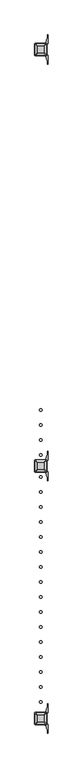
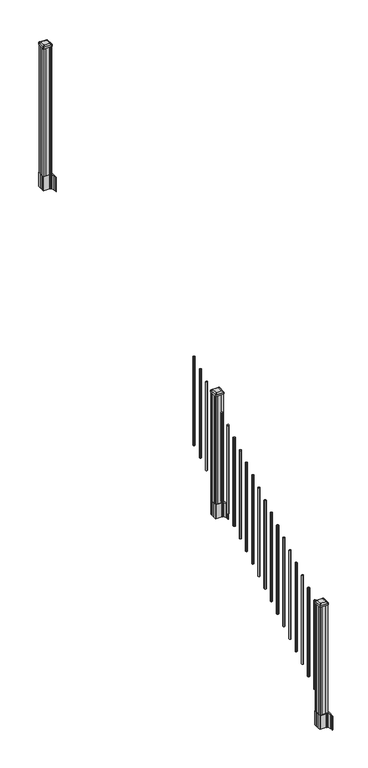
"""IFC4 building model written with IfcOpenShell, lengths in millimetres: railing geometry."""

from ifc_helpers import new_model, si_unit, point, frame, frame_2d, origin, place, context, project, spatial, polyline, circle_curve, trimmed, segment, composite_curve, outline, extrude, source, transform, mapped, element, save
from ifc_brep_helpers import plane_surface, extruded_surface, advanced_brep


def railing_f031f1d3(model_context):
    return source(origin(), model_context, "Body", "SolidModel", [
        extrude(outline(composite_curve([segment(trimmed(circle_curve(frame_2d((8853.1083284, -20054.6054681)), 9.525), [point((8843.5833284, -20054.6054681))], [point((8853.1083284, -20045.0804681))], False, "CARTESIAN"), True, "CONTINUOUS"), segment(trimmed(circle_curve(frame_2d((8853.1083284, -20054.6054681)), 9.525), [point((8853.1083284, -20045.0804681))], [point((8862.6333284, -20054.6054681))], False, "CARTESIAN"), True, "CONTINUOUS"), segment(trimmed(circle_curve(frame_2d((8853.1083284, -20054.6054681)), 9.525), [point((8862.6333284, -20054.6054681))], [point((8853.1083284, -20064.1304681))], False, "CARTESIAN"), True, "CONTINUOUS"), segment(trimmed(circle_curve(frame_2d((8853.1083284, -20054.6054681)), 9.525), [point((8853.1083284, -20064.1304681))], [point((8843.5833284, -20054.6054681))], False, "CARTESIAN"), True, "CONTINUOUS")], self_intersect=False)), frame((0.0, 0.0, 1695.6046281), z_axis=(0.0, 0.0, 1.0), x_axis=(1.0, 0.0, 0.0)), (0.0, 0.0, 1.0), 965.2041219),
        extrude(outline(composite_curve([segment(trimmed(circle_curve(frame_2d((8853.1083284, -20165.8574681)), 9.525), [point((8843.5833284, -20165.8574681))], [point((8853.1083284, -20156.3324681))], False, "CARTESIAN"), True, "CONTINUOUS"), segment(trimmed(circle_curve(frame_2d((8853.1083284, -20165.8574681)), 9.525), [point((8853.1083284, -20156.3324681))], [point((8862.6333284, -20165.8574681))], False, "CARTESIAN"), True, "CONTINUOUS"), segment(trimmed(circle_curve(frame_2d((8853.1083284, -20165.8574681)), 9.525), [point((8862.6333284, -20165.8574681))], [point((8853.1083284, -20175.3824681))], False, "CARTESIAN"), True, "CONTINUOUS"), segment(trimmed(circle_curve(frame_2d((8853.1083284, -20165.8574681)), 9.525), [point((8853.1083284, -20175.3824681))], [point((8843.5833284, -20165.8574681))], False, "CARTESIAN"), True, "CONTINUOUS")], self_intersect=False)), frame((0.0, 0.0, 1626.0721281), z_axis=(0.0, 0.0, 1.0), x_axis=(1.0, 0.0, 0.0)), (0.0, 0.0, 1.0), 965.2041219),
        extrude(outline(composite_curve([segment(trimmed(circle_curve(frame_2d((8853.1083284, -20277.1094681)), 9.525), [point((8843.5833284, -20277.1094681))], [point((8853.1083284, -20267.5844681))], False, "CARTESIAN"), True, "CONTINUOUS"), segment(trimmed(circle_curve(frame_2d((8853.1083284, -20277.1094681)), 9.525), [point((8853.1083284, -20267.5844681))], [point((8862.6333284, -20277.1094681))], False, "CARTESIAN"), True, "CONTINUOUS"), segment(trimmed(circle_curve(frame_2d((8853.1083284, -20277.1094681)), 9.525), [point((8862.6333284, -20277.1094681))], [point((8853.1083284, -20286.6344681))], False, "CARTESIAN"), True, "CONTINUOUS"), segment(trimmed(circle_curve(frame_2d((8853.1083284, -20277.1094681)), 9.525), [point((8853.1083284, -20286.6344681))], [point((8843.5833284, -20277.1094681))], False, "CARTESIAN"), True, "CONTINUOUS")], self_intersect=False)), frame((0.0, 0.0, 1556.5396281), z_axis=(0.0, 0.0, 1.0), x_axis=(1.0, 0.0, 0.0)), (0.0, 0.0, 1.0), 965.2041219),
        extrude(outline(composite_curve([segment(trimmed(circle_curve(frame_2d((8853.1083284, -20388.3614681)), 9.525), [point((8843.5833284, -20388.3614681))], [point((8853.1083284, -20378.8364681))], False, "CARTESIAN"), True, "CONTINUOUS"), segment(trimmed(circle_curve(frame_2d((8853.1083284, -20388.3614681)), 9.525), [point((8853.1083284, -20378.8364681))], [point((8862.6333284, -20388.3614681))], False, "CARTESIAN"), True, "CONTINUOUS"), segment(trimmed(circle_curve(frame_2d((8853.1083284, -20388.3614681)), 9.525), [point((8862.6333284, -20388.3614681))], [point((8853.1083284, -20397.8864681))], False, "CARTESIAN"), True, "CONTINUOUS"), segment(trimmed(circle_curve(frame_2d((8853.1083284, -20388.3614681)), 9.525), [point((8853.1083284, -20397.8864681))], [point((8843.5833284, -20388.3614681))], False, "CARTESIAN"), True, "CONTINUOUS")], self_intersect=False)), frame((0.0, 0.0, 1487.0071281), z_axis=(0.0, 0.0, 1.0), x_axis=(1.0, 0.0, 0.0)), (0.0, 0.0, 1.0), 965.2041219),
        extrude(outline(composite_curve([segment(polyline([(8810.3728284, -20486.773563), (8810.3728284, -20452.0013732), (8808.7853284, -20451.2393732), (8808.7853284, -20428.4374452), (8812.1583054, -20425.0644681), (8873.6179763, -20425.0644681), (8873.6179763, -20424.1437181), (8878.9355201, -20424.1437181), (8878.9355201, -20422.6894634), (8884.0200498, -20422.6894634), (8884.0200498, -20421.4054396), (8885.6873221, -20421.4054396)]), True, "CONTINUOUS"), segment(trimmed(circle_curve(frame_2d((8885.6873221, -20414.3459797)), 7.0594599), [point((8885.6873221, -20421.4054396))], [point((8892.4545849, -20416.3559864))], True, "CARTESIAN"), True, "CONTINUOUS"), segment(polyline([(8892.4545849, -20416.3559864), (8900.3287792, -20389.8452573)]), True, "CONTINUOUS"), segment(trimmed(circle_curve(frame_2d((8845.5442659, -20373.5732076)), 57.15), [point((8900.3287792, -20389.8452573))], [point((8902.6942659, -20373.5732076))], True, "CARTESIAN"), True, "CONTINUOUS"), segment(polyline([(8902.6942659, -20373.5732076), (8902.6942659, -20361.5644681), (8905.6942659, -20361.5644681), (8905.6942659, -20426.6519681), (8897.4313284, -20437.9902594), (8897.4313284, -20451.2393732), (8895.8438284, -20452.0013732), (8895.8438284, -20486.773563), (8897.4313284, -20487.535563), (8897.4313284, -20500.7846768), (8905.6942659, -20512.1229681), (8905.6942659, -20577.2104681), (8902.6942659, -20577.2104681), (8902.6942659, -20565.2017285)]), True, "CONTINUOUS"), segment(trimmed(circle_curve(frame_2d((8845.5442659, -20565.2017285)), 57.15), [point((8902.6942659, -20565.2017285))], [point((8900.3287792, -20548.9296789))], True, "CARTESIAN"), True, "CONTINUOUS"), segment(polyline([(8900.3287792, -20548.9296789), (8892.4545849, -20522.4189498)]), True, "CONTINUOUS"), segment(trimmed(circle_curve(frame_2d((8885.6873221, -20524.4289565)), 7.0594599), [point((8892.4545849, -20522.4189498))], [point((8885.6873221, -20517.3694966))], True, "CARTESIAN"), True, "CONTINUOUS"), segment(polyline([(8885.6873221, -20517.3694966), (8884.0200498, -20517.3694966), (8884.0200498, -20516.0854728), (8878.9355201, -20516.0854728), (8878.9355201, -20514.6312181), (8873.6179763, -20514.6312181), (8873.6179763, -20513.7104681), (8812.1583054, -20513.7104681), (8808.7853284, -20510.337491), (8808.7853284, -20487.535563), (8810.3728284, -20486.773563)]), True, "CONTINUOUS")], self_intersect=False), holes=[polyline([(8894.3833284, -20429.6999681), (8892.7958284, -20428.1124681), (8855.8715458, -20428.1124681), (8813.4208284, -20428.1124681), (8811.8333284, -20429.6999681), (8811.8333284, -20509.0749681), (8813.4208284, -20510.6624681), (8855.8715458, -20510.6624681), (8892.7958284, -20510.6624681), (8894.3833284, -20509.0749681), (8894.3833284, -20429.6999681)])]), frame((0.0, 0.0, 1182.37), z_axis=(0.0, 0.0, 1.0), x_axis=(1.0, 0.0, 0.0)), (0.0, 0.0, 1.0), 152.4),
        advanced_brep(
        [(8878.9052034, -20498.3593431, 2547.109263), (8882.0802034, -20495.1843431, 2547.109263), (8882.0802034, -20443.5905931, 2547.109263), (8878.9052034, -20440.4155931, 2547.109263), (8827.3114534, -20440.4155931, 2547.109263), (8824.1364534, -20443.5905931, 2547.109263), (8824.1364534, -20495.1843431, 2547.109263), (8827.3114534, -20498.3593431, 2547.109263), (8895.1770784, -20514.6312181, 2535.806263), (8811.0395784, -20514.6312181, 2535.806263), (8807.8645784, -20511.4562181, 2535.806263), (8807.8645784, -20427.3187181, 2535.806263), (8811.0395784, -20424.1437181, 2535.806263), (8895.1770784, -20424.1437181, 2535.806263), (8898.3520784, -20427.3187181, 2535.806263), (8898.3520784, -20511.4562181, 2535.806263)],
        [
            (0, 1, circle_curve(frame((8878.9052034, -20495.1843431, 2547.109263), z_axis=(0.0, 0.0, 1.0), x_axis=(0.0, 1.0, 0.0)), 3.175)),
            (1, 2),
            (2, 3, circle_curve(frame((8878.9052034, -20443.5905931, 2547.109263), z_axis=(0.0, 0.0, 1.0), x_axis=(0.0, 1.0, 0.0)), 3.175)),
            (3, 4),
            (4, 5, circle_curve(frame((8827.3114534, -20443.5905931, 2547.109263), z_axis=(0.0, 0.0, 1.0), x_axis=(0.0, 1.0, 0.0)), 3.175)),
            (5, 6),
            (6, 7, circle_curve(frame((8827.3114534, -20495.1843431, 2547.109263), z_axis=(0.0, 0.0, 1.0), x_axis=(0.0, 1.0, 0.0)), 3.175)),
            (7, 0),
            (8, 9),
            (9, 10, circle_curve(frame((8811.0395784, -20511.4562181, 2535.806263), z_axis=(0.0, 0.0, -1.0), x_axis=(0.0, 1.0, 0.0)), 3.175)),
            (10, 11),
            (11, 12, circle_curve(frame((8811.0395784, -20427.3187181, 2535.806263), z_axis=(0.0, 0.0, -1.0), x_axis=(0.0, 1.0, 0.0)), 3.175)),
            (12, 13),
            (13, 14, circle_curve(frame((8895.1770784, -20427.3187181, 2535.806263), z_axis=(0.0, 0.0, -1.0), x_axis=(0.0, 1.0, 0.0)), 3.175)),
            (14, 15),
            (15, 8, circle_curve(frame((8895.1770784, -20511.4562181, 2535.806263), z_axis=(0.0, 0.0, -1.0), x_axis=(0.0, 1.0, 0.0)), 3.175)),
            (15, 1),
            (0, 8),
            (14, 2),
            (13, 3),
            (12, 4),
            (11, 5),
            (10, 6),
            (9, 7),
        ],
        [
            plane_surface(frame((8853.1083284, -20469.3874681, 2547.109263), z_axis=(0.0, 0.0, 1.0), x_axis=(1.0, 0.0, 0.0))),
            plane_surface(frame((8853.1083284, -20469.3874681, 2535.806263), z_axis=(0.0, 0.0, -1.0), x_axis=(1.0, 0.0, 0.0))),
            extruded_surface(trimmed(circle_curve(frame((8895.1770784, -20511.4562181, 2535.806263), z_axis=(0.0, 0.0, 1.0), x_axis=(0.0, 1.0, 0.0)), 3.175), [point((8895.1770784, -20514.6312181, 2535.806263))], [point((8898.3520784, -20511.4562181, 2535.806263))], True, "CARTESIAN"), (-16.271875000000364, 16.271874999998545, 11.302999999999884), 25.63797263886542),
            plane_surface(frame((8898.3520784, -20469.3874681, 2535.806263), z_axis=(0.5705009161540778, 0.0, 0.8212969649690408), x_axis=(0.0, 1.0, 0.0))),
            extruded_surface(trimmed(circle_curve(frame((8895.1770784, -20427.3187181, 2535.806263), z_axis=(0.0, 0.0, 1.0), x_axis=(0.0, 1.0, 0.0)), 3.175), [point((8898.3520784, -20427.3187181, 2535.806263))], [point((8895.1770784, -20424.1437181, 2535.806263))], True, "CARTESIAN"), (-16.271875000000364, -16.271875000002183, 11.302999999999884), 25.637972638867726),
            plane_surface(frame((8853.1083284, -20424.1437181, 2535.806263), z_axis=(0.0, 0.5705009161540291, 0.8212969649690747), x_axis=(-1.0, 0.0, 0.0))),
            extruded_surface(trimmed(circle_curve(frame((8811.0395784, -20427.3187181, 2535.806263), z_axis=(0.0, 0.0, 1.0), x_axis=(0.0, 1.0, 0.0)), 3.175), [point((8811.0395784, -20424.1437181, 2535.806263))], [point((8807.8645784, -20427.3187181, 2535.806263))], True, "CARTESIAN"), (16.271875000000364, -16.271875000002183, 11.302999999999884), 25.637972638867726),
            plane_surface(frame((8807.8645784, -20469.3874681, 2535.806263), z_axis=(-0.5705009161540142, 0.0, 0.8212969649690851), x_axis=(0.0, -1.0, 0.0))),
            extruded_surface(trimmed(circle_curve(frame((8811.0395784, -20511.4562181, 2535.806263), z_axis=(0.0, 0.0, 1.0), x_axis=(0.0, 1.0, 0.0)), 3.175), [point((8807.8645784, -20511.4562181, 2535.806263))], [point((8811.0395784, -20514.6312181, 2535.806263))], True, "CARTESIAN"), (16.271875000000364, 16.271874999998545, 11.302999999999884), 25.63797263886542),
            plane_surface(frame((8853.1083284, -20514.6312181, 2535.806263), z_axis=(0.0, -0.570500916154034, 0.8212969649690713), x_axis=(1.0, 0.0, 0.0))),
        ],
        [
            (0, [[1, 2, 3, 4, 5, 6, 7, 8]]),
            (1, [[9, 10, 11, 12, 13, 14, 15, 16]]),
            (2, [[-16, 17, -1, 18]]),
            (3, [[-15, 19, -2, -17]]),
            (4, [[-14, 20, -3, -19]]),
            (5, [[-13, 21, -4, -20]]),
            (6, [[-12, 22, -5, -21]]),
            (7, [[-11, 23, -6, -22]]),
            (8, [[-10, 24, -7, -23]]),
            (9, [[-9, -18, -8, -24]]),
        ],
    ),
        extrude(outline(composite_curve([segment(polyline([(8895.1770784, -20514.6312181), (8811.0395784, -20514.6312181)]), True, "CONTINUOUS"), segment(trimmed(circle_curve(frame_2d((8811.0395784, -20511.4562181)), 3.175), [point((8811.0395784, -20514.6312181))], [point((8807.8645784, -20511.4562181))], False, "CARTESIAN"), True, "CONTINUOUS"), segment(polyline([(8807.8645784, -20511.4562181), (8807.8645784, -20427.3187181)]), True, "CONTINUOUS"), segment(trimmed(circle_curve(frame_2d((8811.0395784, -20427.3187181)), 3.175), [point((8807.8645784, -20427.3187181))], [point((8811.0395784, -20424.1437181))], False, "CARTESIAN"), True, "CONTINUOUS"), segment(polyline([(8811.0395784, -20424.1437181), (8895.1770784, -20424.1437181)]), True, "CONTINUOUS"), segment(trimmed(circle_curve(frame_2d((8895.1770784, -20427.3187181)), 3.175), [point((8895.1770784, -20424.1437181))], [point((8898.3520784, -20427.3187181))], False, "CARTESIAN"), True, "CONTINUOUS"), segment(polyline([(8898.3520784, -20427.3187181), (8898.3520784, -20511.4562181)]), True, "CONTINUOUS"), segment(trimmed(circle_curve(frame_2d((8895.1770784, -20511.4562181)), 3.175), [point((8898.3520784, -20511.4562181))], [point((8895.1770784, -20514.6312181))], False, "CARTESIAN"), True, "CONTINUOUS")], self_intersect=False)), frame((0.0, 0.0, 2518.534263), z_axis=(0.0, 0.0, 1.0), x_axis=(1.0, 0.0, 0.0)), (0.0, 0.0, 1.0), 17.272),
        extrude(outline(polyline([(8892.7958284, -20510.6624681), (8873.1743284, -20510.6624681), (8872.4123284, -20509.0749681), (8833.8043284, -20509.0749681), (8833.0423284, -20510.6624681), (8813.4208284, -20510.6624681), (8811.8333284, -20509.0749681), (8811.8333284, -20489.4534681), (8813.4208284, -20488.6914681), (8813.4208284, -20450.0834681), (8811.8333284, -20449.3214681), (8811.8333284, -20429.6999681), (8813.4208284, -20428.1124681), (8833.0423284, -20428.1124681), (8833.8043284, -20429.6999681), (8872.4123284, -20429.6999681), (8873.1743284, -20428.1124681), (8892.7958284, -20428.1124681), (8894.3833284, -20429.6999681), (8894.3833284, -20449.3214681), (8892.7958284, -20450.0834681), (8892.7958284, -20488.6914681), (8894.3833284, -20489.4534681), (8894.3833284, -20509.0749681), (8892.7958284, -20510.6624681)])), frame((0.0, 0.0, 1334.77), z_axis=(0.0, 0.0, 1.0), x_axis=(1.0, 0.0, 0.0)), (0.0, 0.0, 1.0), 1183.764263),
        extrude(outline(composite_curve([segment(trimmed(circle_curve(frame_2d((8853.1083284, -20550.4134681)), 9.525), [point((8843.5833284, -20550.4134681))], [point((8853.1083284, -20540.8884681))], False, "CARTESIAN"), True, "CONTINUOUS"), segment(trimmed(circle_curve(frame_2d((8853.1083284, -20550.4134681)), 9.525), [point((8853.1083284, -20540.8884681))], [point((8862.6333284, -20550.4134681))], False, "CARTESIAN"), True, "CONTINUOUS"), segment(trimmed(circle_curve(frame_2d((8853.1083284, -20550.4134681)), 9.525), [point((8862.6333284, -20550.4134681))], [point((8853.1083284, -20559.9384681))], False, "CARTESIAN"), True, "CONTINUOUS"), segment(trimmed(circle_curve(frame_2d((8853.1083284, -20550.4134681)), 9.525), [point((8853.1083284, -20559.9384681))], [point((8843.5833284, -20550.4134681))], False, "CARTESIAN"), True, "CONTINUOUS")], self_intersect=False)), frame((0.0, 0.0, 1385.7246281), z_axis=(0.0, 0.0, 1.0), x_axis=(1.0, 0.0, 0.0)), (0.0, 0.0, 1.0), 965.2041219),
        extrude(outline(composite_curve([segment(trimmed(circle_curve(frame_2d((8853.1083284, -20661.6654681)), 9.525), [point((8843.5833284, -20661.6654681))], [point((8853.1083284, -20652.1404681))], False, "CARTESIAN"), True, "CONTINUOUS"), segment(trimmed(circle_curve(frame_2d((8853.1083284, -20661.6654681)), 9.525), [point((8853.1083284, -20652.1404681))], [point((8862.6333284, -20661.6654681))], False, "CARTESIAN"), True, "CONTINUOUS"), segment(trimmed(circle_curve(frame_2d((8853.1083284, -20661.6654681)), 9.525), [point((8862.6333284, -20661.6654681))], [point((8853.1083284, -20671.1904681))], False, "CARTESIAN"), True, "CONTINUOUS"), segment(trimmed(circle_curve(frame_2d((8853.1083284, -20661.6654681)), 9.525), [point((8853.1083284, -20671.1904681))], [point((8843.5833284, -20661.6654681))], False, "CARTESIAN"), True, "CONTINUOUS")], self_intersect=False)), frame((0.0, 0.0, 1316.1921281), z_axis=(0.0, 0.0, 1.0), x_axis=(1.0, 0.0, 0.0)), (0.0, 0.0, 1.0), 965.2041219),
        extrude(outline(composite_curve([segment(trimmed(circle_curve(frame_2d((8853.1083284, -20772.9174681)), 9.525), [point((8843.5833284, -20772.9174681))], [point((8853.1083284, -20763.3924681))], False, "CARTESIAN"), True, "CONTINUOUS"), segment(trimmed(circle_curve(frame_2d((8853.1083284, -20772.9174681)), 9.525), [point((8853.1083284, -20763.3924681))], [point((8862.6333284, -20772.9174681))], False, "CARTESIAN"), True, "CONTINUOUS"), segment(trimmed(circle_curve(frame_2d((8853.1083284, -20772.9174681)), 9.525), [point((8862.6333284, -20772.9174681))], [point((8853.1083284, -20782.4424681))], False, "CARTESIAN"), True, "CONTINUOUS"), segment(trimmed(circle_curve(frame_2d((8853.1083284, -20772.9174681)), 9.525), [point((8853.1083284, -20782.4424681))], [point((8843.5833284, -20772.9174681))], False, "CARTESIAN"), True, "CONTINUOUS")], self_intersect=False)), frame((0.0, 0.0, 1246.6596281), z_axis=(0.0, 0.0, 1.0), x_axis=(1.0, 0.0, 0.0)), (0.0, 0.0, 1.0), 965.2041219),
        extrude(outline(composite_curve([segment(trimmed(circle_curve(frame_2d((8853.1083284, -20884.1694681)), 9.525), [point((8843.5833284, -20884.1694681))], [point((8853.1083284, -20874.6444681))], False, "CARTESIAN"), True, "CONTINUOUS"), segment(trimmed(circle_curve(frame_2d((8853.1083284, -20884.1694681)), 9.525), [point((8853.1083284, -20874.6444681))], [point((8862.6333284, -20884.1694681))], False, "CARTESIAN"), True, "CONTINUOUS"), segment(trimmed(circle_curve(frame_2d((8853.1083284, -20884.1694681)), 9.525), [point((8862.6333284, -20884.1694681))], [point((8853.1083284, -20893.6944681))], False, "CARTESIAN"), True, "CONTINUOUS"), segment(trimmed(circle_curve(frame_2d((8853.1083284, -20884.1694681)), 9.525), [point((8853.1083284, -20893.6944681))], [point((8843.5833284, -20884.1694681))], False, "CARTESIAN"), True, "CONTINUOUS")], self_intersect=False)), frame((0.0, 0.0, 1177.1271281), z_axis=(0.0, 0.0, 1.0), x_axis=(1.0, 0.0, 0.0)), (0.0, 0.0, 1.0), 965.2041219),
        extrude(outline(composite_curve([segment(trimmed(circle_curve(frame_2d((8853.1083284, -20995.4214681)), 9.525), [point((8843.5833284, -20995.4214681))], [point((8853.1083284, -20985.8964681))], False, "CARTESIAN"), True, "CONTINUOUS"), segment(trimmed(circle_curve(frame_2d((8853.1083284, -20995.4214681)), 9.525), [point((8853.1083284, -20985.8964681))], [point((8862.6333284, -20995.4214681))], False, "CARTESIAN"), True, "CONTINUOUS"), segment(trimmed(circle_curve(frame_2d((8853.1083284, -20995.4214681)), 9.525), [point((8862.6333284, -20995.4214681))], [point((8853.1083284, -21004.9464681))], False, "CARTESIAN"), True, "CONTINUOUS"), segment(trimmed(circle_curve(frame_2d((8853.1083284, -20995.4214681)), 9.525), [point((8853.1083284, -21004.9464681))], [point((8843.5833284, -20995.4214681))], False, "CARTESIAN"), True, "CONTINUOUS")], self_intersect=False)), frame((0.0, 0.0, 1107.5946281), z_axis=(0.0, 0.0, 1.0), x_axis=(1.0, 0.0, 0.0)), (0.0, 0.0, 1.0), 965.2041219),
        extrude(outline(composite_curve([segment(trimmed(circle_curve(frame_2d((8853.1083284, -21106.6734681)), 9.525), [point((8843.5833284, -21106.6734681))], [point((8853.1083284, -21097.1484681))], False, "CARTESIAN"), True, "CONTINUOUS"), segment(trimmed(circle_curve(frame_2d((8853.1083284, -21106.6734681)), 9.525), [point((8853.1083284, -21097.1484681))], [point((8862.6333284, -21106.6734681))], False, "CARTESIAN"), True, "CONTINUOUS"), segment(trimmed(circle_curve(frame_2d((8853.1083284, -21106.6734681)), 9.525), [point((8862.6333284, -21106.6734681))], [point((8853.1083284, -21116.1984681))], False, "CARTESIAN"), True, "CONTINUOUS"), segment(trimmed(circle_curve(frame_2d((8853.1083284, -21106.6734681)), 9.525), [point((8853.1083284, -21116.1984681))], [point((8843.5833284, -21106.6734681))], False, "CARTESIAN"), True, "CONTINUOUS")], self_intersect=False)), frame((0.0, 0.0, 1038.0621281), z_axis=(0.0, 0.0, 1.0), x_axis=(1.0, 0.0, 0.0)), (0.0, 0.0, 1.0), 965.2041219),
        extrude(outline(composite_curve([segment(trimmed(circle_curve(frame_2d((8853.1083284, -21217.9254681)), 9.525), [point((8843.5833284, -21217.9254681))], [point((8853.1083284, -21208.4004681))], False, "CARTESIAN"), True, "CONTINUOUS"), segment(trimmed(circle_curve(frame_2d((8853.1083284, -21217.9254681)), 9.525), [point((8853.1083284, -21208.4004681))], [point((8862.6333284, -21217.9254681))], False, "CARTESIAN"), True, "CONTINUOUS"), segment(trimmed(circle_curve(frame_2d((8853.1083284, -21217.9254681)), 9.525), [point((8862.6333284, -21217.9254681))], [point((8853.1083284, -21227.4504681))], False, "CARTESIAN"), True, "CONTINUOUS"), segment(trimmed(circle_curve(frame_2d((8853.1083284, -21217.9254681)), 9.525), [point((8853.1083284, -21227.4504681))], [point((8843.5833284, -21217.9254681))], False, "CARTESIAN"), True, "CONTINUOUS")], self_intersect=False)), frame((0.0, 0.0, 968.5296281), z_axis=(0.0, 0.0, 1.0), x_axis=(1.0, 0.0, 0.0)), (0.0, 0.0, 1.0), 965.2041219),
        extrude(outline(composite_curve([segment(trimmed(circle_curve(frame_2d((8853.1083284, -21329.1774681)), 9.525), [point((8843.5833284, -21329.1774681))], [point((8853.1083284, -21319.6524681))], False, "CARTESIAN"), True, "CONTINUOUS"), segment(trimmed(circle_curve(frame_2d((8853.1083284, -21329.1774681)), 9.525), [point((8853.1083284, -21319.6524681))], [point((8862.6333284, -21329.1774681))], False, "CARTESIAN"), True, "CONTINUOUS"), segment(trimmed(circle_curve(frame_2d((8853.1083284, -21329.1774681)), 9.525), [point((8862.6333284, -21329.1774681))], [point((8853.1083284, -21338.7024681))], False, "CARTESIAN"), True, "CONTINUOUS"), segment(trimmed(circle_curve(frame_2d((8853.1083284, -21329.1774681)), 9.525), [point((8853.1083284, -21338.7024681))], [point((8843.5833284, -21329.1774681))], False, "CARTESIAN"), True, "CONTINUOUS")], self_intersect=False)), frame((0.0, 0.0, 898.9971281), z_axis=(0.0, 0.0, 1.0), x_axis=(1.0, 0.0, 0.0)), (0.0, 0.0, 1.0), 965.2041219),
        extrude(outline(composite_curve([segment(trimmed(circle_curve(frame_2d((8853.1083284, -21440.4294681)), 9.525), [point((8843.5833284, -21440.4294681))], [point((8853.1083284, -21430.9044681))], False, "CARTESIAN"), True, "CONTINUOUS"), segment(trimmed(circle_curve(frame_2d((8853.1083284, -21440.4294681)), 9.525), [point((8853.1083284, -21430.9044681))], [point((8862.6333284, -21440.4294681))], False, "CARTESIAN"), True, "CONTINUOUS"), segment(trimmed(circle_curve(frame_2d((8853.1083284, -21440.4294681)), 9.525), [point((8862.6333284, -21440.4294681))], [point((8853.1083284, -21449.9544681))], False, "CARTESIAN"), True, "CONTINUOUS"), segment(trimmed(circle_curve(frame_2d((8853.1083284, -21440.4294681)), 9.525), [point((8853.1083284, -21449.9544681))], [point((8843.5833284, -21440.4294681))], False, "CARTESIAN"), True, "CONTINUOUS")], self_intersect=False)), frame((0.0, 0.0, 829.4646281), z_axis=(0.0, 0.0, 1.0), x_axis=(1.0, 0.0, 0.0)), (0.0, 0.0, 1.0), 965.2041219),
        extrude(outline(composite_curve([segment(trimmed(circle_curve(frame_2d((8853.1083284, -21551.6814681)), 9.525), [point((8843.5833284, -21551.6814681))], [point((8853.1083284, -21542.1564681))], False, "CARTESIAN"), True, "CONTINUOUS"), segment(trimmed(circle_curve(frame_2d((8853.1083284, -21551.6814681)), 9.525), [point((8853.1083284, -21542.1564681))], [point((8862.6333284, -21551.6814681))], False, "CARTESIAN"), True, "CONTINUOUS"), segment(trimmed(circle_curve(frame_2d((8853.1083284, -21551.6814681)), 9.525), [point((8862.6333284, -21551.6814681))], [point((8853.1083284, -21561.2064681))], False, "CARTESIAN"), True, "CONTINUOUS"), segment(trimmed(circle_curve(frame_2d((8853.1083284, -21551.6814681)), 9.525), [point((8853.1083284, -21561.2064681))], [point((8843.5833284, -21551.6814681))], False, "CARTESIAN"), True, "CONTINUOUS")], self_intersect=False)), frame((0.0, 0.0, 759.9321281), z_axis=(0.0, 0.0, 1.0), x_axis=(1.0, 0.0, 0.0)), (0.0, 0.0, 1.0), 965.2041219),
        extrude(outline(composite_curve([segment(trimmed(circle_curve(frame_2d((8853.1083284, -21662.9334681)), 9.525), [point((8843.5833284, -21662.9334681))], [point((8853.1083284, -21653.4084681))], False, "CARTESIAN"), True, "CONTINUOUS"), segment(trimmed(circle_curve(frame_2d((8853.1083284, -21662.9334681)), 9.525), [point((8853.1083284, -21653.4084681))], [point((8862.6333284, -21662.9334681))], False, "CARTESIAN"), True, "CONTINUOUS"), segment(trimmed(circle_curve(frame_2d((8853.1083284, -21662.9334681)), 9.525), [point((8862.6333284, -21662.9334681))], [point((8853.1083284, -21672.4584681))], False, "CARTESIAN"), True, "CONTINUOUS"), segment(trimmed(circle_curve(frame_2d((8853.1083284, -21662.9334681)), 9.525), [point((8853.1083284, -21672.4584681))], [point((8843.5833284, -21662.9334681))], False, "CARTESIAN"), True, "CONTINUOUS")], self_intersect=False)), frame((0.0, 0.0, 690.3996281), z_axis=(0.0, 0.0, 1.0), x_axis=(1.0, 0.0, 0.0)), (0.0, 0.0, 1.0), 965.2041219),
        extrude(outline(composite_curve([segment(trimmed(circle_curve(frame_2d((8853.1083284, -21774.1854681)), 9.525), [point((8843.5833284, -21774.1854681))], [point((8853.1083284, -21764.6604681))], False, "CARTESIAN"), True, "CONTINUOUS"), segment(trimmed(circle_curve(frame_2d((8853.1083284, -21774.1854681)), 9.525), [point((8853.1083284, -21764.6604681))], [point((8862.6333284, -21774.1854681))], False, "CARTESIAN"), True, "CONTINUOUS"), segment(trimmed(circle_curve(frame_2d((8853.1083284, -21774.1854681)), 9.525), [point((8862.6333284, -21774.1854681))], [point((8853.1083284, -21783.7104681))], False, "CARTESIAN"), True, "CONTINUOUS"), segment(trimmed(circle_curve(frame_2d((8853.1083284, -21774.1854681)), 9.525), [point((8853.1083284, -21783.7104681))], [point((8843.5833284, -21774.1854681))], False, "CARTESIAN"), True, "CONTINUOUS")], self_intersect=False)), frame((0.0, 0.0, 620.8671281), z_axis=(0.0, 0.0, 1.0), x_axis=(1.0, 0.0, 0.0)), (0.0, 0.0, 1.0), 965.2041219),
        extrude(outline(composite_curve([segment(trimmed(circle_curve(frame_2d((8853.1083284, -21885.4374681)), 9.525), [point((8843.5833284, -21885.4374681))], [point((8853.1083284, -21875.9124681))], False, "CARTESIAN"), True, "CONTINUOUS"), segment(trimmed(circle_curve(frame_2d((8853.1083284, -21885.4374681)), 9.525), [point((8853.1083284, -21875.9124681))], [point((8862.6333284, -21885.4374681))], False, "CARTESIAN"), True, "CONTINUOUS"), segment(trimmed(circle_curve(frame_2d((8853.1083284, -21885.4374681)), 9.525), [point((8862.6333284, -21885.4374681))], [point((8853.1083284, -21894.9624681))], False, "CARTESIAN"), True, "CONTINUOUS"), segment(trimmed(circle_curve(frame_2d((8853.1083284, -21885.4374681)), 9.525), [point((8853.1083284, -21894.9624681))], [point((8843.5833284, -21885.4374681))], False, "CARTESIAN"), True, "CONTINUOUS")], self_intersect=False)), frame((0.0, 0.0, 551.3346281), z_axis=(0.0, 0.0, 1.0), x_axis=(1.0, 0.0, 0.0)), (0.0, 0.0, 1.0), 965.2041219),
        extrude(outline(composite_curve([segment(trimmed(circle_curve(frame_2d((8853.1083284, -21996.6894681)), 9.525), [point((8843.5833284, -21996.6894681))], [point((8853.1083284, -21987.1644681))], False, "CARTESIAN"), True, "CONTINUOUS"), segment(trimmed(circle_curve(frame_2d((8853.1083284, -21996.6894681)), 9.525), [point((8853.1083284, -21987.1644681))], [point((8862.6333284, -21996.6894681))], False, "CARTESIAN"), True, "CONTINUOUS"), segment(trimmed(circle_curve(frame_2d((8853.1083284, -21996.6894681)), 9.525), [point((8862.6333284, -21996.6894681))], [point((8853.1083284, -22006.2144681))], False, "CARTESIAN"), True, "CONTINUOUS"), segment(trimmed(circle_curve(frame_2d((8853.1083284, -21996.6894681)), 9.525), [point((8853.1083284, -22006.2144681))], [point((8843.5833284, -21996.6894681))], False, "CARTESIAN"), True, "CONTINUOUS")], self_intersect=False)), frame((0.0, 0.0, 481.8021281), z_axis=(0.0, 0.0, 1.0), x_axis=(1.0, 0.0, 0.0)), (0.0, 0.0, 1.0), 965.2041219),
        extrude(outline(composite_curve([segment(trimmed(circle_curve(frame_2d((8853.1083284, -22107.9414681)), 9.525), [point((8843.5833284, -22107.9414681))], [point((8853.1083284, -22098.4164681))], False, "CARTESIAN"), True, "CONTINUOUS"), segment(trimmed(circle_curve(frame_2d((8853.1083284, -22107.9414681)), 9.525), [point((8853.1083284, -22098.4164681))], [point((8862.6333284, -22107.9414681))], False, "CARTESIAN"), True, "CONTINUOUS"), segment(trimmed(circle_curve(frame_2d((8853.1083284, -22107.9414681)), 9.525), [point((8862.6333284, -22107.9414681))], [point((8853.1083284, -22117.4664681))], False, "CARTESIAN"), True, "CONTINUOUS"), segment(trimmed(circle_curve(frame_2d((8853.1083284, -22107.9414681)), 9.525), [point((8853.1083284, -22117.4664681))], [point((8843.5833284, -22107.9414681))], False, "CARTESIAN"), True, "CONTINUOUS")], self_intersect=False)), frame((0.0, 0.0, 412.2696281), z_axis=(0.0, 0.0, 1.0), x_axis=(1.0, 0.0, 0.0)), (0.0, 0.0, 1.0), 965.2041219),
        extrude(outline(composite_curve([segment(trimmed(circle_curve(frame_2d((8853.1083284, -22219.1934681)), 9.525), [point((8843.5833284, -22219.1934681))], [point((8853.1083284, -22209.6684681))], False, "CARTESIAN"), True, "CONTINUOUS"), segment(trimmed(circle_curve(frame_2d((8853.1083284, -22219.1934681)), 9.525), [point((8853.1083284, -22209.6684681))], [point((8862.6333284, -22219.1934681))], False, "CARTESIAN"), True, "CONTINUOUS"), segment(trimmed(circle_curve(frame_2d((8853.1083284, -22219.1934681)), 9.525), [point((8862.6333284, -22219.1934681))], [point((8853.1083284, -22228.7184681))], False, "CARTESIAN"), True, "CONTINUOUS"), segment(trimmed(circle_curve(frame_2d((8853.1083284, -22219.1934681)), 9.525), [point((8853.1083284, -22228.7184681))], [point((8843.5833284, -22219.1934681))], False, "CARTESIAN"), True, "CONTINUOUS")], self_intersect=False)), frame((0.0, 0.0, 342.7371281), z_axis=(0.0, 0.0, 1.0), x_axis=(1.0, 0.0, 0.0)), (0.0, 0.0, 1.0), 965.2041219),
        extrude(outline(polyline([(8892.7958284, -17423.2924681), (8873.1743284, -17423.2924681), (8872.4123284, -17421.7049681), (8833.8043284, -17421.7049681), (8833.0423284, -17423.2924681), (8813.4208284, -17423.2924681), (8811.8333284, -17421.7049681), (8811.8333284, -17402.0834681), (8813.4208284, -17401.3214681), (8813.4208284, -17362.7134681), (8811.8333284, -17361.9514681), (8811.8333284, -17342.3299681), (8813.4208284, -17340.7424681), (8833.0423284, -17340.7424681), (8833.8043284, -17342.3299681), (8872.4123284, -17342.3299681), (8873.1743284, -17340.7424681), (8892.7958284, -17340.7424681), (8894.3833284, -17342.3299681), (8894.3833284, -17361.9514681), (8892.7958284, -17362.7134681), (8892.7958284, -17401.3214681), (8894.3833284, -17402.0834681), (8894.3833284, -17421.7049681), (8892.7958284, -17423.2924681)])), frame((0.0, 0.0, 3048.0), z_axis=(0.0, 0.0, 1.0), x_axis=(1.0, 0.0, 0.0)), (0.0, 0.0, 1.0), 1400.140513),
        extrude(outline(composite_curve([segment(polyline([(8810.3728284, -17399.403563), (8810.3728284, -17364.6313732), (8808.7853284, -17363.8693732), (8808.7853284, -17341.0674452), (8812.1583054, -17337.6944681), (8873.6179763, -17337.6944681), (8873.6179763, -17336.7737181), (8878.9355201, -17336.7737181), (8878.9355201, -17335.3194634), (8884.0200498, -17335.3194634), (8884.0200498, -17334.0354396), (8885.6873221, -17334.0354396)]), True, "CONTINUOUS"), segment(trimmed(circle_curve(frame_2d((8885.6873221, -17326.9759797)), 7.0594599), [point((8885.6873221, -17334.0354396))], [point((8892.4545849, -17328.9859864))], True, "CARTESIAN"), True, "CONTINUOUS"), segment(polyline([(8892.4545849, -17328.9859864), (8900.3287792, -17302.4752573)]), True, "CONTINUOUS"), segment(trimmed(circle_curve(frame_2d((8845.5442659, -17286.2032076)), 57.15), [point((8900.3287792, -17302.4752573))], [point((8902.6942659, -17286.2032076))], True, "CARTESIAN"), True, "CONTINUOUS"), segment(polyline([(8902.6942659, -17286.2032076), (8902.6942659, -17274.1944681), (8905.6942659, -17274.1944681), (8905.6942659, -17339.2819681), (8897.4313284, -17350.6202594), (8897.4313284, -17363.8693732), (8895.8438284, -17364.6313732), (8895.8438284, -17399.403563), (8897.4313284, -17400.165563), (8897.4313284, -17413.4146768), (8905.6942659, -17424.7529681), (8905.6942659, -17489.8404681), (8902.6942659, -17489.8404681), (8902.6942659, -17477.8317285)]), True, "CONTINUOUS"), segment(trimmed(circle_curve(frame_2d((8845.5442659, -17477.8317285)), 57.15), [point((8902.6942659, -17477.8317285))], [point((8900.3287792, -17461.5596789))], True, "CARTESIAN"), True, "CONTINUOUS"), segment(polyline([(8900.3287792, -17461.5596789), (8892.4545849, -17435.0489498)]), True, "CONTINUOUS"), segment(trimmed(circle_curve(frame_2d((8885.6873221, -17437.0589565)), 7.0594599), [point((8892.4545849, -17435.0489498))], [point((8885.6873221, -17429.9994966))], True, "CARTESIAN"), True, "CONTINUOUS"), segment(polyline([(8885.6873221, -17429.9994966), (8884.0200498, -17429.9994966), (8884.0200498, -17428.7154728), (8878.9355201, -17428.7154728), (8878.9355201, -17427.2612181), (8873.6179763, -17427.2612181), (8873.6179763, -17426.3404681), (8812.1583054, -17426.3404681), (8808.7853284, -17422.967491), (8808.7853284, -17400.165563), (8810.3728284, -17399.403563)]), True, "CONTINUOUS")], self_intersect=False), holes=[polyline([(8894.3833284, -17342.3299681), (8892.7958284, -17340.7424681), (8855.8715458, -17340.7424681), (8813.4208284, -17340.7424681), (8811.8333284, -17342.3299681), (8811.8333284, -17421.7049681), (8813.4208284, -17423.2924681), (8855.8715458, -17423.2924681), (8892.7958284, -17423.2924681), (8894.3833284, -17421.7049681), (8894.3833284, -17342.3299681)])]), frame((0.0, 0.0, 2895.6), z_axis=(0.0, 0.0, 1.0), x_axis=(1.0, 0.0, 0.0)), (0.0, 0.0, 1.0), 152.4),
        advanced_brep(
        [(8878.9052034, -17410.9893431, 4476.715513), (8882.0802034, -17407.8143431, 4476.715513), (8882.0802034, -17356.2205931, 4476.715513), (8878.9052034, -17353.0455931, 4476.715513), (8827.3114534, -17353.0455931, 4476.715513), (8824.1364534, -17356.2205931, 4476.715513), (8824.1364534, -17407.8143431, 4476.715513), (8827.3114534, -17410.9893431, 4476.715513), (8895.1770784, -17427.2612181, 4465.412513), (8811.0395784, -17427.2612181, 4465.412513), (8807.8645784, -17424.0862181, 4465.412513), (8807.8645784, -17339.9487181, 4465.412513), (8811.0395784, -17336.7737181, 4465.412513), (8895.1770784, -17336.7737181, 4465.412513), (8898.3520784, -17339.9487181, 4465.412513), (8898.3520784, -17424.0862181, 4465.412513)],
        [
            (0, 1, circle_curve(frame((8878.9052034, -17407.8143431, 4476.715513), z_axis=(0.0, 0.0, 1.0), x_axis=(0.0, 1.0, 0.0)), 3.175)),
            (1, 2),
            (2, 3, circle_curve(frame((8878.9052034, -17356.2205931, 4476.715513), z_axis=(0.0, 0.0, 1.0), x_axis=(0.0, 1.0, 0.0)), 3.175)),
            (3, 4),
            (4, 5, circle_curve(frame((8827.3114534, -17356.2205931, 4476.715513), z_axis=(0.0, 0.0, 1.0), x_axis=(0.0, 1.0, 0.0)), 3.175)),
            (5, 6),
            (6, 7, circle_curve(frame((8827.3114534, -17407.8143431, 4476.715513), z_axis=(0.0, 0.0, 1.0), x_axis=(0.0, 1.0, 0.0)), 3.175)),
            (7, 0),
            (8, 9),
            (9, 10, circle_curve(frame((8811.0395784, -17424.0862181, 4465.412513), z_axis=(0.0, 0.0, -1.0), x_axis=(0.0, 1.0, 0.0)), 3.175)),
            (10, 11),
            (11, 12, circle_curve(frame((8811.0395784, -17339.9487181, 4465.412513), z_axis=(0.0, 0.0, -1.0), x_axis=(0.0, 1.0, 0.0)), 3.175)),
            (12, 13),
            (13, 14, circle_curve(frame((8895.1770784, -17339.9487181, 4465.412513), z_axis=(0.0, 0.0, -1.0), x_axis=(0.0, 1.0, 0.0)), 3.175)),
            (14, 15),
            (15, 8, circle_curve(frame((8895.1770784, -17424.0862181, 4465.412513), z_axis=(0.0, 0.0, -1.0), x_axis=(0.0, 1.0, 0.0)), 3.175)),
            (15, 1),
            (0, 8),
            (14, 2),
            (13, 3),
            (12, 4),
            (11, 5),
            (10, 6),
            (9, 7),
        ],
        [
            plane_surface(frame((8853.1083284, -17382.0174681, 4476.715513), z_axis=(0.0, 0.0, 1.0), x_axis=(1.0, 0.0, 0.0))),
            plane_surface(frame((8853.1083284, -17382.0174681, 4465.412513), z_axis=(0.0, 0.0, -1.0), x_axis=(1.0, 0.0, 0.0))),
            extruded_surface(trimmed(circle_curve(frame((8895.1770784, -17424.0862181, 4465.412513), z_axis=(0.0, 0.0, 1.0), x_axis=(0.0, 1.0, 0.0)), 3.175), [point((8895.1770784, -17427.2612181, 4465.412513))], [point((8898.3520784, -17424.0862181, 4465.412513))], True, "CARTESIAN"), (-16.271875000000364, 16.271875000002183, 11.302999999999884), 25.637972638867726),
            plane_surface(frame((8898.3520784, -17382.0174681, 4465.412513), z_axis=(0.5705009161540685, 0.0, 0.8212969649690474), x_axis=(0.0, 1.0, 0.0))),
            extruded_surface(trimmed(circle_curve(frame((8895.1770784, -17339.9487181, 4465.412513), z_axis=(0.0, 0.0, 1.0), x_axis=(0.0, 1.0, 0.0)), 3.175), [point((8898.3520784, -17339.9487181, 4465.412513))], [point((8895.1770784, -17336.7737181, 4465.412513))], True, "CARTESIAN"), (-16.271875000000364, -16.271874999998545, 11.302999999999884), 25.63797263886542),
            plane_surface(frame((8853.1083284, -17336.7737181, 4465.412513), z_axis=(0.0, 0.5705009161540291, 0.8212969649690747), x_axis=(-1.0, 0.0, 0.0))),
            extruded_surface(trimmed(circle_curve(frame((8811.0395784, -17339.9487181, 4465.412513), z_axis=(0.0, 0.0, 1.0), x_axis=(0.0, 1.0, 0.0)), 3.175), [point((8811.0395784, -17336.7737181, 4465.412513))], [point((8807.8645784, -17339.9487181, 4465.412513))], True, "CARTESIAN"), (16.271875000000364, -16.271874999998545, 11.302999999999884), 25.63797263886542),
            plane_surface(frame((8807.8645784, -17382.0174681, 4465.412513), z_axis=(-0.5705009161540235, 0.0, 0.8212969649690786), x_axis=(0.0, -1.0, 0.0))),
            extruded_surface(trimmed(circle_curve(frame((8811.0395784, -17424.0862181, 4465.412513), z_axis=(0.0, 0.0, 1.0), x_axis=(0.0, 1.0, 0.0)), 3.175), [point((8807.8645784, -17424.0862181, 4465.412513))], [point((8811.0395784, -17427.2612181, 4465.412513))], True, "CARTESIAN"), (16.271875000000364, 16.271875000002183, 11.302999999999884), 25.637972638867726),
            plane_surface(frame((8853.1083284, -17427.2612181, 4465.412513), z_axis=(0.0, -0.570500916154034, 0.8212969649690713), x_axis=(1.0, 0.0, 0.0))),
        ],
        [
            (0, [[1, 2, 3, 4, 5, 6, 7, 8]]),
            (1, [[9, 10, 11, 12, 13, 14, 15, 16]]),
            (2, [[-16, 17, -1, 18]]),
            (3, [[-15, 19, -2, -17]]),
            (4, [[-14, 20, -3, -19]]),
            (5, [[-13, 21, -4, -20]]),
            (6, [[-12, 22, -5, -21]]),
            (7, [[-11, 23, -6, -22]]),
            (8, [[-10, 24, -7, -23]]),
            (9, [[-9, -18, -8, -24]]),
        ],
    ),
        extrude(outline(composite_curve([segment(polyline([(8895.1770784, -17427.2612181), (8811.0395784, -17427.2612181)]), True, "CONTINUOUS"), segment(trimmed(circle_curve(frame_2d((8811.0395784, -17424.0862181)), 3.175), [point((8811.0395784, -17427.2612181))], [point((8807.8645784, -17424.0862181))], False, "CARTESIAN"), True, "CONTINUOUS"), segment(polyline([(8807.8645784, -17424.0862181), (8807.8645784, -17339.9487181)]), True, "CONTINUOUS"), segment(trimmed(circle_curve(frame_2d((8811.0395784, -17339.9487181)), 3.175), [point((8807.8645784, -17339.9487181))], [point((8811.0395784, -17336.7737181))], False, "CARTESIAN"), True, "CONTINUOUS"), segment(polyline([(8811.0395784, -17336.7737181), (8895.1770784, -17336.7737181)]), True, "CONTINUOUS"), segment(trimmed(circle_curve(frame_2d((8895.1770784, -17339.9487181)), 3.175), [point((8895.1770784, -17336.7737181))], [point((8898.3520784, -17339.9487181))], False, "CARTESIAN"), True, "CONTINUOUS"), segment(polyline([(8898.3520784, -17339.9487181), (8898.3520784, -17424.0862181)]), True, "CONTINUOUS"), segment(trimmed(circle_curve(frame_2d((8895.1770784, -17424.0862181)), 3.175), [point((8898.3520784, -17424.0862181))], [point((8895.1770784, -17427.2612181))], False, "CARTESIAN"), True, "CONTINUOUS")], self_intersect=False)), frame((0.0, 0.0, 4448.140513), z_axis=(0.0, 0.0, 1.0), x_axis=(1.0, 0.0, 0.0)), (0.0, 0.0, 1.0), 17.272),
        extrude(outline(composite_curve([segment(polyline([(8810.3728284, -22359.007563), (8810.3728284, -22324.2353732), (8808.7853284, -22323.4733732), (8808.7853284, -22300.6714452), (8812.1583054, -22297.2984681), (8873.6179763, -22297.2984681), (8873.6179763, -22296.3777181), (8878.9355201, -22296.3777181), (8878.9355201, -22294.9234634), (8884.0200498, -22294.9234634), (8884.0200498, -22293.6394396), (8885.6873221, -22293.6394396)]), True, "CONTINUOUS"), segment(trimmed(circle_curve(frame_2d((8885.6873221, -22286.5799797)), 7.0594599), [point((8885.6873221, -22293.6394396))], [point((8892.4545849, -22288.5899864))], True, "CARTESIAN"), True, "CONTINUOUS"), segment(polyline([(8892.4545849, -22288.5899864), (8900.3287792, -22262.0792573)]), True, "CONTINUOUS"), segment(trimmed(circle_curve(frame_2d((8845.5442659, -22245.8072076)), 57.15), [point((8900.3287792, -22262.0792573))], [point((8902.6942659, -22245.8072076))], True, "CARTESIAN"), True, "CONTINUOUS"), segment(polyline([(8902.6942659, -22245.8072076), (8902.6942659, -22233.7984681), (8905.6942659, -22233.7984681), (8905.6942659, -22298.8859681), (8897.4313284, -22310.2242594), (8897.4313284, -22323.4733732), (8895.8438284, -22324.2353732), (8895.8438284, -22359.007563), (8897.4313284, -22359.769563), (8897.4313284, -22373.0186768), (8905.6942659, -22384.3569681), (8905.6942659, -22449.4444681), (8902.6942659, -22449.4444681), (8902.6942659, -22437.4357285)]), True, "CONTINUOUS"), segment(trimmed(circle_curve(frame_2d((8845.5442659, -22437.4357285)), 57.15), [point((8902.6942659, -22437.4357285))], [point((8900.3287792, -22421.1636789))], True, "CARTESIAN"), True, "CONTINUOUS"), segment(polyline([(8900.3287792, -22421.1636789), (8892.4545849, -22394.6529498)]), True, "CONTINUOUS"), segment(trimmed(circle_curve(frame_2d((8885.6873221, -22396.6629565)), 7.0594599), [point((8892.4545849, -22394.6529498))], [point((8885.6873221, -22389.6034966))], True, "CARTESIAN"), True, "CONTINUOUS"), segment(polyline([(8885.6873221, -22389.6034966), (8884.0200498, -22389.6034966), (8884.0200498, -22388.3194728), (8878.9355201, -22388.3194728), (8878.9355201, -22386.8652181), (8873.6179763, -22386.8652181), (8873.6179763, -22385.9444681), (8812.1583054, -22385.9444681), (8808.7853284, -22382.571491), (8808.7853284, -22359.769563), (8810.3728284, -22359.007563)]), True, "CONTINUOUS")], self_intersect=False), holes=[polyline([(8894.3833284, -22301.9339681), (8892.7958284, -22300.3464681), (8855.8715458, -22300.3464681), (8813.4208284, -22300.3464681), (8811.8333284, -22301.9339681), (8811.8333284, -22381.3089681), (8813.4208284, -22382.8964681), (8855.8715458, -22382.8964681), (8892.7958284, -22382.8964681), (8894.3833284, -22381.3089681), (8894.3833284, -22301.9339681)])]), frame((0.0, 0.0, 12.22375), z_axis=(0.0, 0.0, 1.0), x_axis=(1.0, 0.0, 0.0)), (0.0, 0.0, 1.0), 152.4),
        advanced_brep(
        [(8878.9052034, -22370.5933431, 1376.963013), (8882.0802034, -22367.4183431, 1376.963013), (8882.0802034, -22315.8245931, 1376.963013), (8878.9052034, -22312.6495931, 1376.963013), (8827.3114534, -22312.6495931, 1376.963013), (8824.1364534, -22315.8245931, 1376.963013), (8824.1364534, -22367.4183431, 1376.963013), (8827.3114534, -22370.5933431, 1376.963013), (8895.1770784, -22386.8652181, 1365.660013), (8811.0395784, -22386.8652181, 1365.660013), (8807.8645784, -22383.6902181, 1365.660013), (8807.8645784, -22299.5527181, 1365.660013), (8811.0395784, -22296.3777181, 1365.660013), (8895.1770784, -22296.3777181, 1365.660013), (8898.3520784, -22299.5527181, 1365.660013), (8898.3520784, -22383.6902181, 1365.660013)],
        [
            (0, 1, circle_curve(frame((8878.9052034, -22367.4183431, 1376.963013), z_axis=(0.0, 0.0, 1.0), x_axis=(0.0, 1.0, 0.0)), 3.175)),
            (1, 2),
            (2, 3, circle_curve(frame((8878.9052034, -22315.8245931, 1376.963013), z_axis=(0.0, 0.0, 1.0), x_axis=(0.0, 1.0, 0.0)), 3.175)),
            (3, 4),
            (4, 5, circle_curve(frame((8827.3114534, -22315.8245931, 1376.963013), z_axis=(0.0, 0.0, 1.0), x_axis=(0.0, 1.0, 0.0)), 3.175)),
            (5, 6),
            (6, 7, circle_curve(frame((8827.3114534, -22367.4183431, 1376.963013), z_axis=(0.0, 0.0, 1.0), x_axis=(0.0, 1.0, 0.0)), 3.175)),
            (7, 0),
            (8, 9),
            (9, 10, circle_curve(frame((8811.0395784, -22383.6902181, 1365.660013), z_axis=(0.0, 0.0, -1.0), x_axis=(0.0, 1.0, 0.0)), 3.175)),
            (10, 11),
            (11, 12, circle_curve(frame((8811.0395784, -22299.5527181, 1365.660013), z_axis=(0.0, 0.0, -1.0), x_axis=(0.0, 1.0, 0.0)), 3.175)),
            (12, 13),
            (13, 14, circle_curve(frame((8895.1770784, -22299.5527181, 1365.660013), z_axis=(0.0, 0.0, -1.0), x_axis=(0.0, 1.0, 0.0)), 3.175)),
            (14, 15),
            (15, 8, circle_curve(frame((8895.1770784, -22383.6902181, 1365.660013), z_axis=(0.0, 0.0, -1.0), x_axis=(0.0, 1.0, 0.0)), 3.175)),
            (15, 1),
            (0, 8),
            (14, 2),
            (13, 3),
            (12, 4),
            (11, 5),
            (10, 6),
            (9, 7),
        ],
        [
            plane_surface(frame((8853.1083284, -22341.6214681, 1376.963013), z_axis=(0.0, 0.0, 1.0), x_axis=(1.0, 0.0, 0.0))),
            plane_surface(frame((8853.1083284, -22341.6214681, 1365.660013), z_axis=(0.0, 0.0, -1.0), x_axis=(1.0, 0.0, 0.0))),
            extruded_surface(trimmed(circle_curve(frame((8895.1770784, -22383.6902181, 1365.660013), z_axis=(0.0, 0.0, 1.0), x_axis=(0.0, 1.0, 0.0)), 3.175), [point((8895.1770784, -22386.8652181, 1365.660013))], [point((8898.3520784, -22383.6902181, 1365.660013))], True, "CARTESIAN"), (-16.271875000000364, 16.271875000002183, 11.303000000000111), 25.63797263886783),
            plane_surface(frame((8898.3520784, -22341.6214681, 1365.660013), z_axis=(0.5705009161540778, 0.0, 0.8212969649690408), x_axis=(0.0, 1.0, 0.0))),
            extruded_surface(trimmed(circle_curve(frame((8895.1770784, -22299.5527181, 1365.660013), z_axis=(0.0, 0.0, 1.0), x_axis=(0.0, 1.0, 0.0)), 3.175), [point((8898.3520784, -22299.5527181, 1365.660013))], [point((8895.1770784, -22296.3777181, 1365.660013))], True, "CARTESIAN"), (-16.271875000000364, -16.271874999998545, 11.303000000000111), 25.63797263886552),
            plane_surface(frame((8853.1083284, -22296.3777181, 1365.660013), z_axis=(0.0, 0.5705009161540291, 0.8212969649690747), x_axis=(-1.0, 0.0, 0.0))),
            extruded_surface(trimmed(circle_curve(frame((8811.0395784, -22299.5527181, 1365.660013), z_axis=(0.0, 0.0, 1.0), x_axis=(0.0, 1.0, 0.0)), 3.175), [point((8811.0395784, -22296.3777181, 1365.660013))], [point((8807.8645784, -22299.5527181, 1365.660013))], True, "CARTESIAN"), (16.271875000000364, -16.271874999998545, 11.303000000000111), 25.63797263886552),
            plane_surface(frame((8807.8645784, -22341.6214681, 1365.660013), z_axis=(-0.5705009161540142, 0.0, 0.8212969649690851), x_axis=(0.0, -1.0, 0.0))),
            extruded_surface(trimmed(circle_curve(frame((8811.0395784, -22383.6902181, 1365.660013), z_axis=(0.0, 0.0, 1.0), x_axis=(0.0, 1.0, 0.0)), 3.175), [point((8807.8645784, -22383.6902181, 1365.660013))], [point((8811.0395784, -22386.8652181, 1365.660013))], True, "CARTESIAN"), (16.271875000000364, 16.271875000002183, 11.303000000000111), 25.63797263886783),
            plane_surface(frame((8853.1083284, -22386.8652181, 1365.660013), z_axis=(0.0, -0.570500916154034, 0.8212969649690713), x_axis=(1.0, 0.0, 0.0))),
        ],
        [
            (0, [[1, 2, 3, 4, 5, 6, 7, 8]]),
            (1, [[9, 10, 11, 12, 13, 14, 15, 16]]),
            (2, [[-16, 17, -1, 18]]),
            (3, [[-15, 19, -2, -17]]),
            (4, [[-14, 20, -3, -19]]),
            (5, [[-13, 21, -4, -20]]),
            (6, [[-12, 22, -5, -21]]),
            (7, [[-11, 23, -6, -22]]),
            (8, [[-10, 24, -7, -23]]),
            (9, [[-9, -18, -8, -24]]),
        ],
    ),
        extrude(outline(composite_curve([segment(polyline([(8895.1770784, -22386.8652181), (8811.0395784, -22386.8652181)]), True, "CONTINUOUS"), segment(trimmed(circle_curve(frame_2d((8811.0395784, -22383.6902181)), 3.175), [point((8811.0395784, -22386.8652181))], [point((8807.8645784, -22383.6902181))], False, "CARTESIAN"), True, "CONTINUOUS"), segment(polyline([(8807.8645784, -22383.6902181), (8807.8645784, -22299.5527181)]), True, "CONTINUOUS"), segment(trimmed(circle_curve(frame_2d((8811.0395784, -22299.5527181)), 3.175), [point((8807.8645784, -22299.5527181))], [point((8811.0395784, -22296.3777181))], False, "CARTESIAN"), True, "CONTINUOUS"), segment(polyline([(8811.0395784, -22296.3777181), (8895.1770784, -22296.3777181)]), True, "CONTINUOUS"), segment(trimmed(circle_curve(frame_2d((8895.1770784, -22299.5527181)), 3.175), [point((8895.1770784, -22296.3777181))], [point((8898.3520784, -22299.5527181))], False, "CARTESIAN"), True, "CONTINUOUS"), segment(polyline([(8898.3520784, -22299.5527181), (8898.3520784, -22383.6902181)]), True, "CONTINUOUS"), segment(trimmed(circle_curve(frame_2d((8895.1770784, -22383.6902181)), 3.175), [point((8898.3520784, -22383.6902181))], [point((8895.1770784, -22386.8652181))], False, "CARTESIAN"), True, "CONTINUOUS")], self_intersect=False)), frame((0.0, 0.0, 1348.388013), z_axis=(0.0, 0.0, 1.0), x_axis=(1.0, 0.0, 0.0)), (0.0, 0.0, 1.0), 17.272),
        extrude(outline(polyline([(8892.7958284, -22382.8964681), (8873.1743284, -22382.8964681), (8872.4123284, -22381.3089681), (8833.8043284, -22381.3089681), (8833.0423284, -22382.8964681), (8813.4208284, -22382.8964681), (8811.8333284, -22381.3089681), (8811.8333284, -22361.6874681), (8813.4208284, -22360.9254681), (8813.4208284, -22322.3174681), (8811.8333284, -22321.5554681), (8811.8333284, -22301.9339681), (8813.4208284, -22300.3464681), (8833.0423284, -22300.3464681), (8833.8043284, -22301.9339681), (8872.4123284, -22301.9339681), (8873.1743284, -22300.3464681), (8892.7958284, -22300.3464681), (8894.3833284, -22301.9339681), (8894.3833284, -22321.5554681), (8892.7958284, -22322.3174681), (8892.7958284, -22360.9254681), (8894.3833284, -22361.6874681), (8894.3833284, -22381.3089681), (8892.7958284, -22382.8964681)])), frame((0.0, 0.0, 164.62375), z_axis=(0.0, 0.0, 1.0), x_axis=(1.0, 0.0, 0.0)), (0.0, 0.0, 1.0), 1183.764263),
    ])


if __name__ == "__main__":
    model = new_model("IFC4")
    model_context = context("Model", 3, world=origin())
    ifc_project = project(units=[si_unit("LENGTHUNIT", "METRE", prefix="MILLI")], contexts=[model_context])
    site = spatial("IfcSite", under=ifc_project)
    building = spatial("IfcBuilding", under=site)
    placement = place(None, origin())
    railing_shape = railing_f031f1d3(model_context)
    element("IfcRailing", 1, at=placement, inside=building, context=model_context, shape_type="MappedRepresentation", body=[
        mapped(railing_shape, transform((0.0, 0.0, 0.0), x_axis=(1.0, 0.0, 0.0), y_axis=(0.0, 1.0, 0.0), z_axis=(0.0, 0.0, 1.0))),
    ])
    save(model, "model.ifc")
